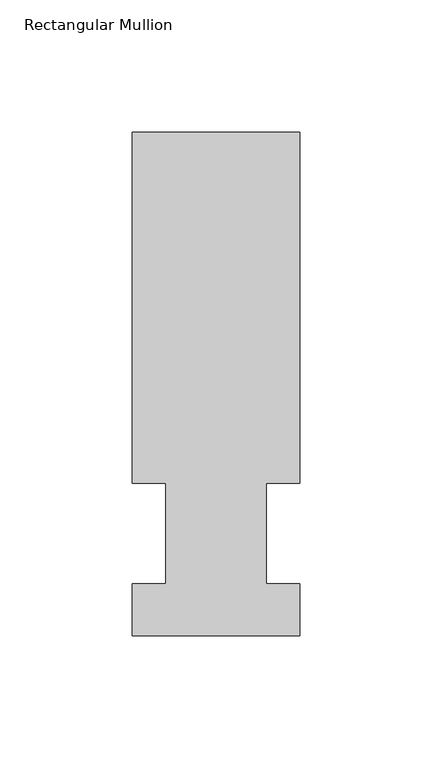
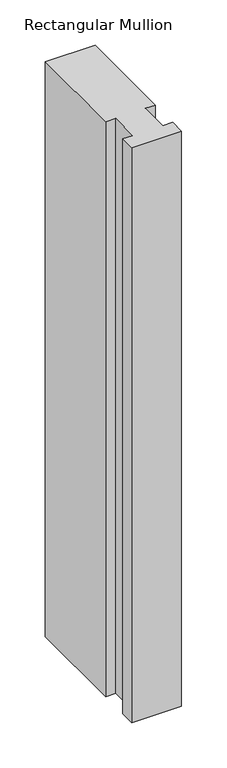
"""IFC4 building model written with IfcOpenShell, lengths in millimetres: member geometry, Rectangular Mullion."""

import ifcopenshell
import ifcopenshell.guid

model = None  # the IFC model being written
_history = None  # IfcOwnerHistory: only IFC2X3 demands one
_inside = {}  # id of a spatial element -> (the spatial element, [elements in it])
_under = {}  # id of a project, library or spatial element -> (it, [spatial elements below it])
_declared = {}  # id of a project -> (the project, [libraries it declares])
_typed = {}  # id of a type object -> (the type object, [elements of that type])
_made_of = {}  # id of a material, layer set ... -> (it, [elements and type objects made of it])


def new_model(schema):
    """Start an empty IFC model of exactly this schema.

    Asked for "IFC4X3", IfcOpenShell would pick the latest addendum, in which some entities
    have other attributes; the version numbers below select the first issue.
    IFC2X3 requires an IfcOwnerHistory on every rooted entity: one is made here for all.
    """
    global model, _history
    if schema == "IFC4X3":
        model = ifcopenshell.file(schema_version=(4, 3, 0, 0))
    else:
        model = ifcopenshell.file(schema=schema)
    _inside.clear()
    _under.clear()
    _declared.clear()
    _typed.clear()
    _made_of.clear()
    _history = None
    if model.schema == "IFC2X3":
        org = make("IfcOrganization", Name="unknown")
        user = make(
            "IfcPersonAndOrganization",
            ThePerson=make("IfcPerson", FamilyName="unknown"),
            TheOrganization=org,
        )
        app = make(
            "IfcApplication",
            ApplicationDeveloper=org,
            Version="unknown",
            ApplicationFullName="unknown",
            ApplicationIdentifier="unknown",
        )
        _history = make(
            "IfcOwnerHistory",
            OwningUser=user,
            OwningApplication=app,
            ChangeAction="ADDED",
            CreationDate=0,
        )
    return model


def make(cls, **values):
    """One entity of the class cls with the attributes given. An attribute that is None is left unset."""
    return model.create_entity(
        cls, **{name: value for name, value in values.items() if value is not None}
    )


def rooted(cls, **values):
    """An entity with a GlobalId (a new one), such as an element, a storey or a relation."""
    return make(cls, GlobalId=ifcopenshell.guid.new(), OwnerHistory=_history, **values)


def si_unit(unit_type, name, prefix=None):
    """IfcSIUnit, for example si_unit("LENGTHUNIT", "METRE", prefix="MILLI")."""
    return make("IfcSIUnit", UnitType=unit_type, Prefix=prefix, Name=name)


def assignment(units):
    """IfcUnitAssignment: the units of a project."""
    return None if units is None else make("IfcUnitAssignment", Units=units)


def point(xyz):
    """IfcCartesianPoint."""
    return None if xyz is None else make("IfcCartesianPoint", Coordinates=xyz)


def direction(xyz):
    """IfcDirection."""
    return None if xyz is None else make("IfcDirection", DirectionRatios=xyz)


def frame(location, z_axis=None, x_axis=None):
    """IfcAxis2Placement3D, a coordinate frame: its origin and axes. An axis left out is left unset."""
    return make(
        "IfcAxis2Placement3D",
        Location=point(location),
        Axis=direction(z_axis),
        RefDirection=direction(x_axis),
    )


def origin():
    """The frame at (0, 0, 0) with its axes left unset."""
    return frame((0.0, 0.0, 0.0))


def place(relative_to, where):
    """IfcLocalPlacement: puts the frame where relative to a parent placement (None: the world)."""
    return make(
        "IfcLocalPlacement", PlacementRelTo=relative_to, RelativePlacement=where
    )


def context(
    kind, dimensions, precision=None, world=None, true_north=None, identifier=None
):
    """IfcGeometricRepresentationContext, for example the 3D "Model" context."""
    return make(
        "IfcGeometricRepresentationContext",
        ContextIdentifier=identifier,
        ContextType=kind,
        CoordinateSpaceDimension=dimensions,
        Precision=precision,
        WorldCoordinateSystem=world,
        TrueNorth=true_north,
    )


def project(units=None, contexts=None):
    """IfcProject with its units and contexts."""
    return rooted(
        "IfcProject",
        Name="project",
        RepresentationContexts=contexts,
        UnitsInContext=assignment(units),
    )


def spatial(cls, under=None, at=None, **own):
    """A site, building, storey or space (cls), placed at a placement, below another one or the project."""
    s = rooted(cls, ObjectPlacement=at, **own)
    if under is not None:
        _under.setdefault(under.id(), (under, []))[1].append(s)
    return s


def polyline(points):
    """IfcPolyline through the points."""
    return make("IfcPolyline", Points=[point(p) for p in points])


def outline(outer, holes=None, kind="AREA"):
    """IfcArbitraryClosedProfileDef: a profile drawn as a closed curve; with holes, ...WithVoids."""
    if holes is None:
        return make("IfcArbitraryClosedProfileDef", ProfileType=kind, OuterCurve=outer)
    return make(
        "IfcArbitraryProfileDefWithVoids",
        ProfileType=kind,
        OuterCurve=outer,
        InnerCurves=holes,
    )


def extrude(swept, where, along, depth):
    """IfcExtrudedAreaSolid: the profile swept, set in the frame where, extruded along a direction by depth."""
    return make(
        "IfcExtrudedAreaSolid",
        SweptArea=swept,
        Position=where,
        ExtrudedDirection=direction(along),
        Depth=depth,
    )


def shape(context_of_items, identifier, shape_type, items):
    """IfcShapeRepresentation: the items that make up one representation, for example the "Body"."""
    return make(
        "IfcShapeRepresentation",
        ContextOfItems=context_of_items,
        RepresentationIdentifier=identifier,
        RepresentationType=shape_type,
        Items=items,
    )


def source(mapping_origin, context_of_items, identifier, shape_type, items):
    """IfcRepresentationMap: a shape defined once, which mapped items show again and again."""
    return make(
        "IfcRepresentationMap",
        MappingOrigin=mapping_origin,
        MappedRepresentation=shape(context_of_items, identifier, shape_type, items),
    )


def transform(
    local_origin,
    x_axis=None,
    y_axis=None,
    z_axis=None,
    scale=None,
    scale2=None,
    scale3=None,
    uniform=True,
):
    """IfcCartesianTransformationOperator3D, or its non-uniform kind. x_axis, y_axis, z_axis: its Axis1, 2, 3."""
    if uniform:
        return make(
            "IfcCartesianTransformationOperator3D",
            Axis1=direction(x_axis),
            Axis2=direction(y_axis),
            LocalOrigin=point(local_origin),
            Scale=scale,
            Axis3=direction(z_axis),
        )
    return make(
        "IfcCartesianTransformationOperator3DnonUniform",
        Axis1=direction(x_axis),
        Axis2=direction(y_axis),
        LocalOrigin=point(local_origin),
        Scale=scale,
        Axis3=direction(z_axis),
        Scale2=scale2,
        Scale3=scale3,
    )


def mapped(mapping_source, mapping_target):
    """IfcMappedItem: shows the shape of a source again, moved by a transform."""
    return make(
        "IfcMappedItem", MappingSource=mapping_source, MappingTarget=mapping_target
    )


def made_of(thing, what):
    """Note that an element or type object is made of a material, layer set ...; save() writes the relation."""
    if what is not None:
        _made_of.setdefault(what.id(), (what, []))[1].append(thing)
    return thing


def element(
    cls,
    number,
    at=None,
    inside=None,
    cuts=None,
    type_object=None,
    material=None,
    context=None,
    identifier="Body",
    shape_type=None,
    held_by="IfcProductDefinitionShape",
    body=None,
    shapes=None,
    **own,
):
    """One element of the class cls, such as IfcWall. Its Tag is "e" and its number.

    at: its placement. inside: the storey or other place that contains it. cuts: it is an
    opening in that element (IfcRelVoidsElement). A single representation is given by context,
    identifier, shape_type and body (its items); several are given by shapes. held_by: the class
    of the entity that holds the representations. save() writes the other relations.
    """
    e = rooted(cls, Tag="e%d" % number, ObjectPlacement=at, **own)
    if body is not None:
        shapes = [shape(context, identifier, shape_type, body)]
    if shapes is not None:
        e.Representation = make(held_by, Representations=shapes)
    if inside is not None:
        _inside.setdefault(inside.id(), (inside, []))[1].append(e)
    if cuts is not None:
        rooted(
            "IfcRelVoidsElement", RelatingBuildingElement=cuts, RelatedOpeningElement=e
        )
    if type_object is not None:
        _typed.setdefault(type_object.id(), (type_object, []))[1].append(e)
    return made_of(e, material)


def aggregate(whole, parts):
    """IfcRelAggregates: a whole, such as a stair, and the parts it consists of."""
    return rooted("IfcRelAggregates", RelatingObject=whole, RelatedObjects=parts)


def save(model, path):
    """Write the relations noted so far, then the file.

    IfcRelAggregates (storeys below a building ...), IfcRelContainedInSpatialStructure (elements
    in a storey), IfcRelDefinesByType, IfcRelAssociatesMaterial and IfcRelDeclares: one each for
    every whole, place, type object, material and project.
    """
    for whole, parts in _under.values():
        aggregate(whole, parts)
    for where, things in _inside.values():
        rooted(
            "IfcRelContainedInSpatialStructure",
            RelatedElements=things,
            RelatingStructure=where,
        )
    for kind, things in _typed.values():
        rooted("IfcRelDefinesByType", RelatedObjects=things, RelatingType=kind)
    for what, things in _made_of.values():
        rooted("IfcRelAssociatesMaterial", RelatedObjects=things, RelatingMaterial=what)
    for by, libraries in _declared.values():
        rooted("IfcRelDeclares", RelatingContext=by, RelatedDefinitions=libraries)
    model.write(path)


def rectangular_mullion_dfaf306e(model_context):
    return source(origin(), model_context, "Body", "SweptSolid", [
        extrude(outline(polyline([(31.75, 190.5896937), (31.75, 57.6460937), (19.05, 57.6460937), (19.05, 19.5460937), (31.75, 19.5460937), (31.75, 0.0134938), (-31.75, 0.0134938), (-31.75, 19.5460937), (-19.05, 19.5460937), (-19.05, 57.6460937), (-31.75, 57.6460937), (-31.75, 190.5896937), (31.75, 190.5896937)])), frame((0.0, 0.0, -774.7), z_axis=(0.0, 0.0, 1.0), x_axis=(1.0, 0.0, 0.0)), (0.0, 0.0, 1.0), 774.7),
    ])


if __name__ == "__main__":
    model = new_model("IFC4")
    model_context = context("Model", 3, world=origin())
    ifc_project = project(units=[si_unit("LENGTHUNIT", "METRE", prefix="MILLI")], contexts=[model_context])
    site = spatial("IfcSite", under=ifc_project)
    building = spatial("IfcBuilding", under=site)
    placement = place(None, origin())
    rectangular_mullion_shape = rectangular_mullion_dfaf306e(model_context)
    element("IfcMember", 1, ObjectType="Rectangular Mullion", at=placement, inside=building, context=model_context, shape_type="MappedRepresentation", body=[
        mapped(rectangular_mullion_shape, transform((0.0, 0.0, 0.0), x_axis=(1.0, 0.0, 0.0), y_axis=(0.0, 1.0, 0.0), z_axis=(0.0, 0.0, 1.0))),
    ])
    save(model, "model.ifc")
